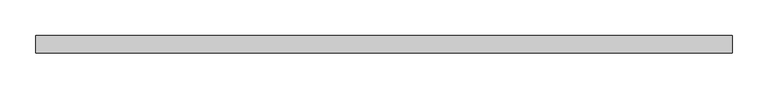
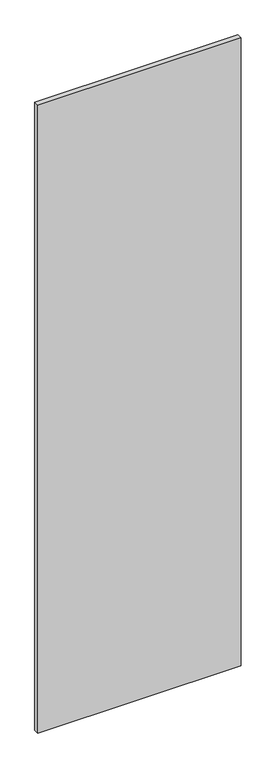
"""IFC4 building model written with IfcOpenShell, lengths in millimetres: plate geometry."""

from ifc_helpers import new_model, si_unit, origin, origin_with_axes, place, context, project, spatial, polyline, outline, extrude, source, transform, mapped, element, save


def plate_0fe9514b(model_context):
    return source(origin(), model_context, "Body", "SweptSolid", [
        extrude(outline(polyline([(490.0, -12.5), (-490.0, -12.5), (-490.0, 12.5), (490.0, 12.5), (490.0, -12.5)])), origin_with_axes(), (0.0, 0.0, 1.0), 3200.0),
    ])


if __name__ == "__main__":
    model = new_model("IFC4")
    model_context = context("Model", 3, world=origin())
    ifc_project = project(units=[si_unit("LENGTHUNIT", "METRE", prefix="MILLI")], contexts=[model_context])
    site = spatial("IfcSite", under=ifc_project)
    building = spatial("IfcBuilding", under=site)
    placement = place(None, origin())
    plate_shape = plate_0fe9514b(model_context)
    element("IfcPlate", 1, at=placement, inside=building, context=model_context, shape_type="MappedRepresentation", body=[
        mapped(plate_shape, transform((0.0, 0.0, 0.0), x_axis=(1.0, 0.0, 0.0), y_axis=(0.0, 1.0, 0.0), z_axis=(0.0, 0.0, 1.0))),
    ])
    save(model, "model.ifc")
